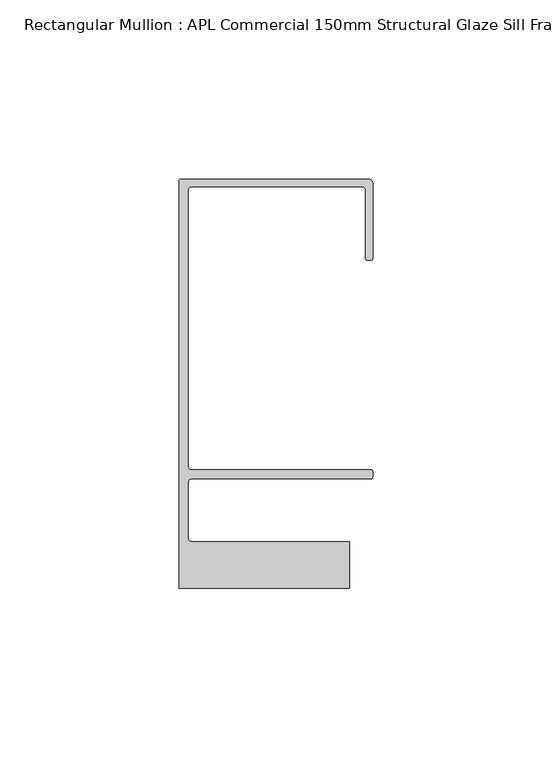
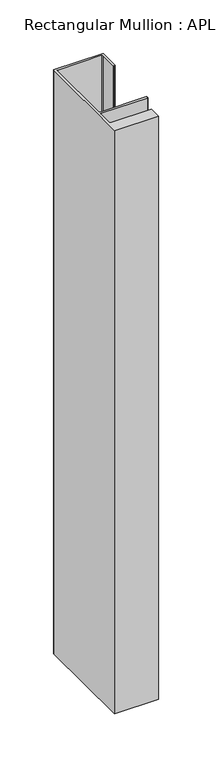
"""IFC4 building model written with IfcOpenShell, lengths in millimetres: member geometry, Rectangular Mullion : APL Commercial 150mm Structural Glaze Sill Frame (Back)."""

from ifc_helpers import new_model, si_unit, frame, origin, place, context, project, spatial, polyline, circle_curve, source, transform, mapped, element, save
from ifc_brep_helpers import plane_surface, cylinder_surface, revolved_surface, advanced_brep


def rectangular_mullion_apl_commercial_150mm_structural_glaze_a0dafa46(model_context):
    return source(origin(), model_context, "Body", "AdvancedBrep", [
        advanced_brep(
        [(-53.5000083, 129.0001071, 0.0), (-54.0000083, 128.5001071, 0.0), (-54.0000083, 15.0004332, 0.0), (-6.5000083, 15.0004332, 0.0), (-6.5000083, 28.0004332, 0.0), (-50.500032, 28.0004332, 0.0), (-51.500032, 29.0004332, 0.0), (-51.500032, 44.4999541, 0.0), (-50.500032, 45.4999541, 0.0), (-0.521387, 45.4999541, 0.0), (-5.4e-06, 46.0213357, 0.0), (-5.4e-06, 47.5021598, 0.0), (-0.5000012, 48.000115, 0.0), (-50.482081, 48.000115, 0.0), (-51.5000225, 48.9999541, 0.0), (-51.5000225, 126.00011, 0.0), (-50.5000083, 127.00011, 0.0), (-2.9999982, 127.00011, 0.0), (-1.9999982, 126.0001071, 0.0), (-1.9999982, 107.0001071, 0.0), (-1.4999822, 106.5001071, 0.0), (-0.5, 106.5001071, 0.0), (0.0, 107.0001071, 0.0), (0.0, 128.0001071, 0.0), (-1.0000079, 129.0001071, 0.0), (-53.5000083, 129.0001071, -666.0250258), (-1.0000079, 129.0001071, -666.0250258), (-7.9e-06, 128.0001071, -666.0250258), (0.0, 107.0001071, -666.0250258), (-0.5, 106.5001071, -666.0250258), (-1.4999822, 106.5001071, -666.0250258), (-1.9999822, 107.0001071, -666.0250258), (-1.9999982, 126.0001071, -666.0250258), (-2.9999982, 127.0001071, -666.0250258), (-50.5000083, 127.00011, -666.0250258), (-51.5000083, 126.00011, -666.0250258), (-51.5000225, 48.9999541, -666.0250258), (-50.482081, 48.000115, -666.0250258), (-0.5000012, 48.000115, -666.0250258), (-5.4e-06, 47.5021598, -666.0250258), (-5.4e-06, 46.0213357, -666.0250258), (-0.521387, 45.4999541, -666.0250258), (-50.500032, 45.4999541, -666.0250258), (-51.500032, 44.4999541, -666.0250258), (-51.500032, 29.0004332, -666.0250258), (-50.500032, 28.0004332, -666.0250258), (-6.5000083, 28.0004332, -666.0250258), (-6.5000083, 15.0004332, -666.0250258), (-54.0000083, 15.0004332, -666.0250258), (-54.0000083, 128.5001071, -666.0250258)],
        [
            (0, 1, circle_curve(frame((-53.5000083, 128.5001071, 0.0), z_axis=(0.0, 0.0, 1.0), x_axis=(0.0, 1.0, 0.0)), 0.5)),
            (1, 2),
            (2, 3),
            (3, 4),
            (4, 5),
            (5, 6, circle_curve(frame((-50.500032, 29.0004332, 0.0), z_axis=(0.0, 0.0, -1.0), x_axis=(0.0, -1.0, 0.0)), 1.0)),
            (6, 7),
            (7, 8, circle_curve(frame((-50.500032, 44.4999541, 0.0), z_axis=(0.0, 0.0, -1.0), x_axis=(-0.9999999999998819, 4.863123717036027e-07, 0.0)), 1.0)),
            (8, 9),
            (9, 10, circle_curve(frame((-0.521387, 46.0213357, 0.0), z_axis=(0.0, 0.0, 1.0), x_axis=(-1.0, 0.0, 0.0)), 0.5213816)),
            (10, 11),
            (11, 12, circle_curve(frame((-0.5000012, 47.500115, 0.0), z_axis=(0.0, 0.0, 1.0), x_axis=(0.9999999999999991, -4.5120271963110614e-08, 0.0)), 0.5)),
            (12, 13),
            (13, 14, circle_curve(frame((-50.5000225, 48.9999541, 0.0), z_axis=(0.0, 0.0, -1.0), x_axis=(3.5344775231070867e-06, -0.9999999999937538, 0.0)), 1.0)),
            (14, 15),
            (15, 16, circle_curve(frame((-50.5000083, 126.00011, 0.0), z_axis=(0.0, 0.0, -1.0), x_axis=(-1.0, 3.636202450239078e-12, 0.0)), 1.0)),
            (16, 17),
            (17, 18, circle_curve(frame((-2.9999982, 126.0001071, 0.0), z_axis=(0.0, 0.0, -1.0), x_axis=(0.0, 1.0, 0.0)), 1.0)),
            (18, 19),
            (19, 20, circle_curve(frame((-1.4999822, 107.0001071, 0.0), z_axis=(0.0, 0.0, 1.0), x_axis=(-1.0, -1.039279773351609e-08, 0.0)), 0.5)),
            (20, 21),
            (21, 22, circle_curve(frame((-0.5, 107.0001071, 0.0), z_axis=(0.0, 0.0, 1.0), x_axis=(0.0, -1.0, 0.0)), 0.5)),
            (22, 23),
            (23, 24, circle_curve(frame((-1.0000079, 128.0001071, 0.0), z_axis=(0.0, 0.0, 1.0), x_axis=(0.9999999999996143, 8.78371761103865e-07, 0.0)), 1.0)),
            (24, 0),
            (25, 26),
            (26, 27, circle_curve(frame((-1.0000079, 128.0001071, -666.0250258), z_axis=(0.0, 0.0, -1.0), x_axis=(0.9999999999996143, 8.78371761103865e-07, 0.0)), 1.0)),
            (27, 28),
            (28, 29, circle_curve(frame((-0.5, 107.0001071, -666.0250258), z_axis=(0.0, 0.0, -1.0), x_axis=(0.0, -1.0, 0.0)), 0.5)),
            (29, 30),
            (30, 31, circle_curve(frame((-1.4999822, 107.0001071, -666.0250258), z_axis=(0.0, 0.0, -1.0), x_axis=(-1.0, -1.039279773351609e-08, 0.0)), 0.5)),
            (31, 32),
            (32, 33, circle_curve(frame((-2.9999982, 126.0001071, -666.0250258), z_axis=(0.0, 0.0, 1.0), x_axis=(0.0, 1.0, 0.0)), 1.0)),
            (33, 34),
            (34, 35, circle_curve(frame((-50.5000083, 126.00011, -666.0250258), z_axis=(0.0, 0.0, 1.0), x_axis=(-1.0, 3.636202450239078e-12, 0.0)), 1.0)),
            (35, 36),
            (36, 37, circle_curve(frame((-50.5000225, 48.9999541, -666.0250258), z_axis=(0.0, 0.0, 1.0), x_axis=(3.5344775231070867e-06, -0.9999999999937538, 0.0)), 1.0)),
            (37, 38),
            (38, 39, circle_curve(frame((-0.5000012, 47.500115, -666.0250258), z_axis=(0.0, 0.0, -1.0), x_axis=(0.9999999999999991, -4.5120271963110614e-08, 0.0)), 0.5)),
            (39, 40),
            (40, 41, circle_curve(frame((-0.521387, 46.0213357, -666.0250258), z_axis=(0.0, 0.0, -1.0), x_axis=(-1.0, 0.0, 0.0)), 0.5213816)),
            (41, 42),
            (42, 43, circle_curve(frame((-50.500032, 44.4999541, -666.0250258), z_axis=(0.0, 0.0, 1.0), x_axis=(-0.9999999999998819, 4.863123717036027e-07, 0.0)), 1.0)),
            (43, 44),
            (44, 45, circle_curve(frame((-50.500032, 29.0004332, -666.0250258), z_axis=(0.0, 0.0, 1.0), x_axis=(0.0, -1.0, 0.0)), 1.0)),
            (45, 46),
            (46, 47),
            (47, 48),
            (48, 49),
            (49, 25, circle_curve(frame((-53.5000083, 128.5001071, -666.0250258), z_axis=(0.0, 0.0, -1.0), x_axis=(0.0, 1.0, 0.0)), 0.5)),
            (0, 25),
            (49, 1),
            (48, 2),
            (47, 3),
            (46, 4),
            (45, 5),
            (44, 6),
            (43, 7),
            (42, 8),
            (41, 9),
            (40, 10),
            (39, 11),
            (23, 27),
            (26, 24),
            (38, 12),
            (37, 13),
            (36, 14),
            (35, 15),
            (34, 16),
            (33, 17),
            (32, 18),
            (31, 19),
            (30, 20),
            (29, 21),
            (28, 22),
        ],
        [
            plane_surface(frame((0.0, -139.6548314, 0.0), z_axis=(0.0, 0.0, 1.0), x_axis=(-1.0, 0.0, 0.0))),
            plane_surface(frame((0.0, -139.6548314, -666.0250258), z_axis=(0.0, 0.0, -1.0), x_axis=(-1.0, 0.0, 0.0))),
            cylinder_surface(frame((-53.5000083, 128.5001071, 0.0), z_axis=(0.0, 0.0, 1.0), x_axis=(0.0, 1.0, 0.0)), 0.5),
            plane_surface(frame((-54.0000083, 128.5001071, 0.0), z_axis=(-1.0, 0.0, 0.0), x_axis=(0.0, 0.0, -1.0))),
            plane_surface(frame((-54.0000083, 15.0004332, 0.0), z_axis=(0.0, -1.0, 0.0), x_axis=(0.0, 0.0, -1.0))),
            plane_surface(frame((-6.5000083, 15.0004332, 0.0), z_axis=(1.0, 0.0, 0.0), x_axis=(0.0, 0.0, -1.0))),
            plane_surface(frame((-6.5000083, 28.0004332, 0.0), z_axis=(0.0, 1.0, 0.0), x_axis=(0.0, 0.0, -1.0))),
            revolved_surface(polyline([(-50.500032, 28.0004332, -666.0250258), (-50.500032, 28.0004332, 0.0)]), (-50.500032, 29.0004332, 0.0), (0.0, 0.0, -1.0)),
            plane_surface(frame((-51.500032, 29.0004332, 0.0), z_axis=(1.0, 0.0, 0.0), x_axis=(0.0, 0.0, -1.0))),
            revolved_surface(polyline([(-51.50003199999988, 44.49995458631237, -666.0250258000002), (-51.50003199999988, 44.49995458631237, 0.0)]), (-50.500032, 44.4999541, 0.0), (0.0, 0.0, -1.0000000000000002)),
            plane_surface(frame((-50.500032, 45.4999541, 0.0), z_axis=(0.0, -1.0, 0.0), x_axis=(0.0, 0.0, -1.0))),
            cylinder_surface(frame((-0.521387, 46.0213357, 0.0), z_axis=(0.0, 0.0, 1.0), x_axis=(-1.0, 0.0, 0.0)), 0.5213816),
            plane_surface(frame((-5.4e-06, 46.0213357, 0.0), z_axis=(1.0, 0.0, 0.0), x_axis=(0.0, 0.0, -1.0))),
            cylinder_surface(frame((-1.0000079, 128.0001071, 0.0), z_axis=(0.0, 0.0, 1.0000000000000002), x_axis=(0.9999999999996143, 8.78371761103865e-07, 0.0)), 1.0),
            plane_surface(frame((-1.0000079, 129.0001071, 0.0), z_axis=(0.0, 1.0, 0.0), x_axis=(0.0, 0.0, -1.0))),
            cylinder_surface(frame((-0.5000012, 47.500115, 0.0), z_axis=(0.0, 0.0, 1.0000000000000002), x_axis=(0.9999999999999991, -4.5120271963110614e-08, 0.0)), 0.5),
            plane_surface(frame((-0.5000012, 48.000115, 0.0), z_axis=(0.0, 1.0, 0.0), x_axis=(0.0, 0.0, -1.0))),
            revolved_surface(polyline([(-50.50001896552248, 47.99995410000624, -666.0250258), (-50.50001896552248, 47.99995410000624, 0.0)]), (-50.5000225, 48.9999541, 0.0), (0.0, 0.0, -1.0)),
            plane_surface(frame((-51.5000225, 48.9999541, 0.0), z_axis=(1.0, 0.0, 0.0), x_axis=(0.0, 0.0, -1.0))),
            revolved_surface(polyline([(-51.5000083, 126.00011000000364, -666.0250258), (-51.5000083, 126.00011000000364, 0.0)]), (-50.5000083, 126.00011, 0.0), (0.0, 0.0, -1.0)),
            plane_surface(frame((-50.5000083, 127.00011, 0.0), z_axis=(0.0, -1.0, 0.0), x_axis=(0.0, 0.0, -1.0))),
            revolved_surface(polyline([(-2.9999982, 127.0001071, -666.0250258), (-2.9999982, 127.0001071, 0.0)]), (-2.9999982, 126.0001071, 0.0), (0.0, 0.0, -1.0)),
            plane_surface(frame((-1.9999982, 126.0001071, 0.0), z_axis=(-1.0, 0.0, 0.0), x_axis=(0.0, 0.0, -1.0))),
            cylinder_surface(frame((-1.4999822, 107.0001071, 0.0), z_axis=(0.0, 0.0, 1.0), x_axis=(-1.0, -1.039279773351609e-08, 0.0)), 0.5),
            plane_surface(frame((-1.4999822, 106.5001071, 0.0), z_axis=(0.0, -1.0, 0.0), x_axis=(0.0, 0.0, -1.0))),
            cylinder_surface(frame((-0.5, 107.0001071, 0.0), z_axis=(0.0, 0.0, 1.0), x_axis=(0.0, -1.0, 0.0)), 0.5),
            plane_surface(frame((0.0, 107.0001071, 0.0), z_axis=(1.0, 0.0, 0.0), x_axis=(0.0, 0.0, -1.0))),
        ],
        [
            (0, [[1, 2, 3, 4, 5, 6, 7, 8, 9, 10, 11, 12, 13, 14, 15, 16, 17, 18, 19, 20, 21, 22, 23, 24, 25]]),
            (1, [[26, 27, 28, 29, 30, 31, 32, 33, 34, 35, 36, 37, 38, 39, 40, 41, 42, 43, 44, 45, 46, 47, 48, 49, 50]]),
            (2, [[-1, 51, -50, 52]]),
            (3, [[-2, -52, -49, 53]]),
            (4, [[-3, -53, -48, 54]]),
            (5, [[-4, -54, -47, 55]]),
            (6, [[-5, -55, -46, 56]]),
            (7, [[-6, -56, -45, 57]]),
            (8, [[-7, -57, -44, 58]]),
            (9, [[-8, -58, -43, 59]]),
            (10, [[-9, -59, -42, 60]]),
            (11, [[-10, -60, -41, 61]]),
            (12, [[-11, -61, -40, 62]]),
            (13, [[-24, 63, -27, 64]]),
            (14, [[-25, -64, -26, -51]]),
            (15, [[-12, -62, -39, 65]]),
            (16, [[-13, -65, -38, 66]]),
            (17, [[-14, -66, -37, 67]]),
            (18, [[-15, -67, -36, 68]]),
            (19, [[-16, -68, -35, 69]]),
            (20, [[-17, -69, -34, 70]]),
            (21, [[-18, -70, -33, 71]]),
            (22, [[-19, -71, -32, 72]]),
            (23, [[-20, -72, -31, 73]]),
            (24, [[-21, -73, -30, 74]]),
            (25, [[-22, -74, -29, 75]]),
            (26, [[-23, -75, -28, -63]]),
        ],
    ),
    ])


if __name__ == "__main__":
    model = new_model("IFC4")
    model_context = context("Model", 3, world=origin())
    ifc_project = project(units=[si_unit("LENGTHUNIT", "METRE", prefix="MILLI")], contexts=[model_context])
    site = spatial("IfcSite", under=ifc_project)
    building = spatial("IfcBuilding", under=site)
    placement = place(None, origin())
    rectangular_mullion_apl_commercial_150mm_structural_glaze_shape = rectangular_mullion_apl_commercial_150mm_structural_glaze_a0dafa46(model_context)
    element("IfcMember", 1, ObjectType="Rectangular Mullion : APL Commercial 150mm Structural Glaze Sill Frame (Back)", at=placement, inside=building, context=model_context, shape_type="MappedRepresentation", body=[
        mapped(rectangular_mullion_apl_commercial_150mm_structural_glaze_shape, transform((0.0, 0.0, 0.0), x_axis=(1.0, 0.0, 0.0), y_axis=(0.0, 1.0, 0.0), z_axis=(0.0, 0.0, 1.0))),
    ])
    save(model, "model.ifc")
